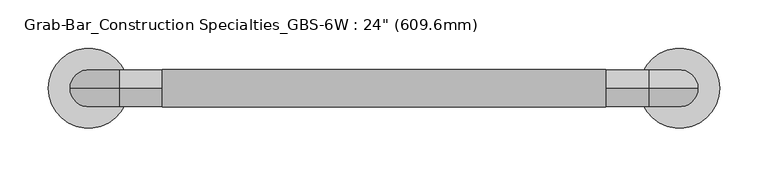
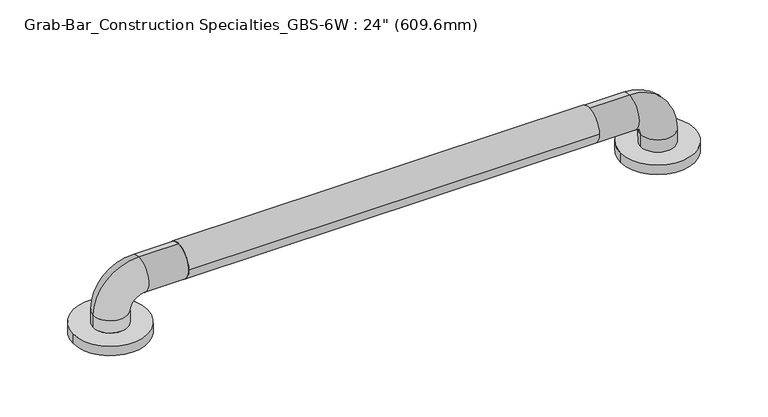
"""IFC4 building model written with IfcOpenShell, lengths in millimetres: proxy geometry."""

from ifc_helpers import new_model, si_unit, point, frame, frame_2d, origin, origin_with_axes, place, context, project, spatial, circle_curve, ellipse_curve, trimmed, segment, composite_curve, outline, extrude, source, transform, mapped, element, save
from ifc_brep_helpers import plane_surface, cylinder_surface, revolved_surface, advanced_brep


def proxy_491b8b78(model_context):
    return source(origin(), model_context, "Body", "SolidModel", [
        extrude(outline(composite_curve([segment(trimmed(circle_curve(frame_2d((0.0005302, 57.1682565)), 19.4479458), [point((-19.4474155, 57.1682565))], [point((19.448476, 57.1682565))], False, "CARTESIAN"), True, "CONTINUOUS"), segment(trimmed(circle_curve(frame_2d((0.0005302, 57.1682565)), 19.4479458), [point((19.448476, 57.1682565))], [point((-19.4474155, 57.1682565))], False, "CARTESIAN"), True, "CONTINUOUS")], self_intersect=False)), frame((76.2, 0.0, 0.0), z_axis=(1.0, 0.0, 0.0), x_axis=(0.0, 1.0, 0.0)), (0.0, 0.0, 1.0), 457.2),
        advanced_brep(
        [(-41.3010856, 0.0, 0.0), (41.3010856, 0.0, 0.0), (568.2989144, 0.0, 0.0), (650.9010856, 0.0, 0.0), (19.05, 0.0, 25.4), (-19.05, 0.0, 25.4), (-19.05, 0.0, 11.1125), (19.05, 0.0, 11.1125), (31.75, 0.0, 38.1), (31.75, 0.0, 76.2), (577.85, 0.0, 38.1), (577.85, 0.0, 76.2), (590.55, 0.0, 25.4), (628.65, 0.0, 25.4), (590.55, 0.0, 11.1125), (628.65, 0.0, 11.1125), (-41.3010856, 0.0, 11.1125), (41.3010856, 0.0, 11.1125), (568.2989144, 0.0, 11.1125), (650.9010856, 0.0, 11.1125)],
        [
            (0, 1, circle_curve(frame((0.0, 0.0, 0.0), z_axis=(0.0, 0.0, -1.0), x_axis=(1.0, 0.0, 0.0)), 41.3010856)),
            (1, 0, circle_curve(frame((0.0, 0.0, 0.0), z_axis=(0.0, 0.0, -1.0), x_axis=(1.0, 0.0, 0.0)), 41.3010856)),
            (2, 3, circle_curve(frame((609.6, 0.0, 0.0), z_axis=(0.0, 0.0, -1.0), x_axis=(1.0, 0.0, 0.0)), 41.3010856)),
            (3, 2, circle_curve(frame((609.6, 0.0, 0.0), z_axis=(0.0, 0.0, -1.0), x_axis=(1.0, 0.0, 0.0)), 41.3010856)),
            (4, 5, circle_curve(frame((0.0, 0.0, 25.4), z_axis=(0.0, 0.0, -1.0), x_axis=(-1.0, 0.0, 0.0)), 19.05)),
            (5, 6),
            (6, 7, circle_curve(frame((0.0, 0.0, 11.1125), z_axis=(0.0, 0.0, 1.0), x_axis=(-1.0, 0.0, 0.0)), 19.05)),
            (7, 4),
            (5, 4, circle_curve(frame((0.0, 0.0, 25.4), z_axis=(0.0, 0.0, -1.0), x_axis=(-1.0, 0.0, 0.0)), 19.05)),
            (7, 6, circle_curve(frame((0.0, 0.0, 11.1125), z_axis=(0.0, 0.0, 1.0), x_axis=(-1.0, 0.0, 0.0)), 19.05)),
            (4, 8, circle_curve(frame((31.75, 0.0, 25.4), z_axis=(0.0, 1.0, 0.0), x_axis=(-1.0, 0.0, 0.0)), 12.7)),
            (8, 9, circle_curve(frame((31.75, 0.0, 57.15), z_axis=(-1.0, 0.0, 0.0), x_axis=(0.0, 0.0, 1.0)), 19.05)),
            (9, 5, circle_curve(frame((31.75, 0.0, 25.4), z_axis=(0.0, -1.0, 0.0), x_axis=(-1.0, 0.0, 0.0)), 50.8)),
            (9, 8, circle_curve(frame((31.75, 0.0, 57.15), z_axis=(-1.0, 0.0, 0.0), x_axis=(0.0, 0.0, 1.0)), 19.05)),
            (8, 10),
            (10, 11, circle_curve(frame((577.85, 0.0, 57.15), z_axis=(-1.0, 0.0, 0.0), x_axis=(0.0, 0.0, 1.0)), 19.05)),
            (11, 9),
            (11, 10, circle_curve(frame((577.85, 0.0, 57.15), z_axis=(-1.0, 0.0, 0.0), x_axis=(0.0, 0.0, 1.0)), 19.05)),
            (10, 12, circle_curve(frame((577.85, 0.0, 25.4), z_axis=(0.0, 1.0, 0.0), x_axis=(0.0, 0.0, 1.0)), 12.7)),
            (12, 13, circle_curve(frame((609.6, 0.0, 25.4), z_axis=(0.0, 0.0, 1.0), x_axis=(1.0, 0.0, 0.0)), 19.05)),
            (13, 11, circle_curve(frame((577.85, 0.0, 25.4), z_axis=(0.0, -1.0, 0.0), x_axis=(0.0, 0.0, 1.0)), 50.8)),
            (13, 12, circle_curve(frame((609.6, 0.0, 25.4), z_axis=(0.0, 0.0, 1.0), x_axis=(1.0, 0.0, 0.0)), 19.05)),
            (12, 14),
            (14, 15, circle_curve(frame((609.6, 0.0, 11.1125), z_axis=(0.0, 0.0, 1.0), x_axis=(1.0, 0.0, 0.0)), 19.05)),
            (15, 13),
            (15, 14, circle_curve(frame((609.6, 0.0, 11.1125), z_axis=(0.0, 0.0, 1.0), x_axis=(1.0, 0.0, 0.0)), 19.05)),
            (16, 17, circle_curve(frame((0.0, 0.0, 11.1125), z_axis=(0.0, 0.0, 1.0), x_axis=(1.0, 0.0, 0.0)), 41.3010856)),
            (17, 16, circle_curve(frame((0.0, 0.0, 11.1125), z_axis=(0.0, 0.0, 1.0), x_axis=(1.0, 0.0, 0.0)), 41.3010856)),
            (18, 19, circle_curve(frame((609.6, 0.0, 11.1125), z_axis=(0.0, 0.0, 1.0), x_axis=(1.0, 0.0, 0.0)), 41.3010856)),
            (19, 18, circle_curve(frame((609.6, 0.0, 11.1125), z_axis=(0.0, 0.0, 1.0), x_axis=(1.0, 0.0, 0.0)), 41.3010856)),
            (16, 0),
            (1, 17),
            (18, 2),
            (3, 19),
        ],
        [
            plane_surface(frame((0.0, 0.0, 0.0), z_axis=(0.0, 0.0, -1.0), x_axis=(0.0, -1.0, 0.0))),
            cylinder_surface(frame((0.0, 0.0, 0.0), z_axis=(0.0, 0.0, -1.0), x_axis=(-1.0, 0.0, 0.0)), 19.05),
            revolved_surface(trimmed(ellipse_curve(frame((0.0, 0.0, 25.4), z_axis=(0.0, 0.0, -1.0), x_axis=(-1.0, 0.0, 0.0)), 19.05, 19.05), [point((19.05, 0.0, 25.4))], [point((-19.05, 0.0, 25.4))], True, "CARTESIAN"), (31.75, 0.0, 25.4), (0.0, 1.0, 0.0)),
            revolved_surface(trimmed(ellipse_curve(frame((0.0, 0.0, 25.4), z_axis=(0.0, 0.0, -1.0), x_axis=(-1.0, 0.0, 0.0)), 19.05, 19.05), [point((-19.05, 0.0, 25.4))], [point((19.05, 0.0, 25.4))], True, "CARTESIAN"), (31.75, 0.0, 25.4), (0.0, 1.0, 0.0)),
            cylinder_surface(frame((31.75, 0.0, 57.15), z_axis=(-1.0, 0.0, 0.0), x_axis=(0.0, 0.0, 1.0)), 19.05),
            revolved_surface(trimmed(ellipse_curve(frame((577.85, 0.0, 57.15), z_axis=(-1.0, 0.0, 0.0), x_axis=(0.0, 0.0, 1.0)), 19.05, 19.05), [point((577.85, 0.0, 38.1))], [point((577.85, 0.0, 76.2))], True, "CARTESIAN"), (577.85, 0.0, 25.4), (0.0, 1.0, 0.0)),
            revolved_surface(trimmed(ellipse_curve(frame((577.85, 0.0, 57.15), z_axis=(-1.0, 0.0, 0.0), x_axis=(0.0, 0.0, 1.0)), 19.05, 19.05), [point((577.85, 0.0, 76.2))], [point((577.85, 0.0, 38.1))], True, "CARTESIAN"), (577.85, 0.0, 25.4), (0.0, 1.0, 0.0)),
            cylinder_surface(frame((609.6, 0.0, 25.4), z_axis=(0.0, 0.0, 1.0), x_axis=(1.0, 0.0, 0.0)), 19.05),
            plane_surface(frame((41.3010856, 0.0, 11.1125), z_axis=(0.0, 0.0, 1.0), x_axis=(0.0, 1.0, 0.0))),
            cylinder_surface(origin_with_axes(), 41.3010856),
            cylinder_surface(frame((609.6, 0.0, 0.0), z_axis=(0.0, 0.0, 1.0), x_axis=(1.0, 0.0, 0.0)), 41.3010856),
        ],
        [
            (0, [[1, 2]]),
            (0, [[3, 4]]),
            (1, [[5, 6, 7, 8]]),
            (1, [[9, -8, 10, -6]]),
            (2, [[-5, 11, 12, 13]]),
            (3, [[-9, -13, 14, -11]]),
            (4, [[-12, 15, 16, 17]]),
            (4, [[-14, -17, 18, -15]]),
            (5, [[-16, 19, 20, 21]]),
            (6, [[-18, -21, 22, -19]]),
            (7, [[-20, 23, 24, 25]]),
            (7, [[-22, -25, 26, -23]]),
            (8, [[27, 28], [-7, -10]]),
            (8, [[29, 30], [-24, -26]]),
            (9, [[-27, 31, -2, 32]]),
            (9, [[-28, -32, -1, -31]]),
            (10, [[-29, 33, -4, 34]]),
            (10, [[-30, -34, -3, -33]]),
        ],
    ),
    ])


if __name__ == "__main__":
    model = new_model("IFC4")
    model_context = context("Model", 3, world=origin())
    ifc_project = project(units=[si_unit("LENGTHUNIT", "METRE", prefix="MILLI")], contexts=[model_context])
    site = spatial("IfcSite", under=ifc_project)
    building = spatial("IfcBuilding", under=site)
    placement = place(None, origin())
    proxy_shape = proxy_491b8b78(model_context)
    element("IfcBuildingElementProxy", 1, Name="Grab-Bar_Construction Specialties_GBS-6W : 24\" (609.6mm)", ObjectType="Grab-Bar_Construction Specialties_GBS-6W : 24\" (609.6mm)", at=placement, inside=building, context=model_context, shape_type="MappedRepresentation", body=[
        mapped(proxy_shape, transform((0.0, 0.0, 0.0), x_axis=(1.0, 0.0, 0.0), y_axis=(0.0, 1.0, 0.0), z_axis=(0.0, 0.0, 1.0))),
    ])
    save(model, "model.ifc")
